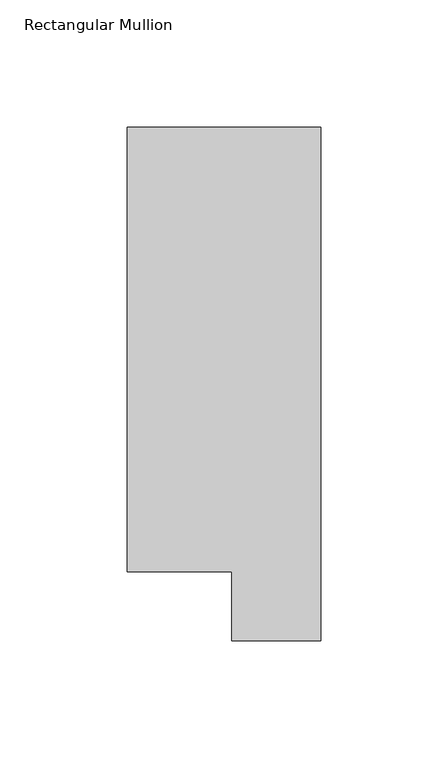
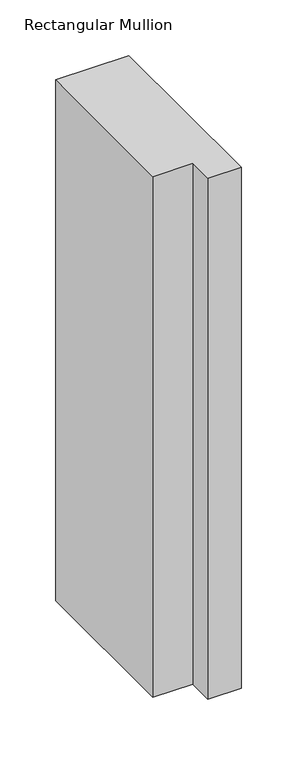
"""IFC4 building model written with IfcOpenShell, lengths in millimetres: member geometry, Rectangular Mullion."""

from ifc_helpers import new_model, si_unit, frame, origin, place, context, project, spatial, polyline, outline, extrude, source, transform, mapped, element, save


def rectangular_mullion_60a6cd7f(model_context):
    return source(origin(), model_context, "Body", "SweptSolid", [
        extrude(outline(polyline([(0.0, 221.7507313), (0.0, 19.5667313), (-34.9123, 19.5667313), (-34.9123, 46.7447302), (-76.2, 46.7447302), (-76.2, 221.7507313), (0.0, 221.7507313)])), frame((0.0, 0.0, -571.8194229), z_axis=(0.0, 0.0, 1.0), x_axis=(1.0, 0.0, 0.0)), (0.0, 0.0, 1.0), 571.8194229),
    ])


if __name__ == "__main__":
    model = new_model("IFC4")
    model_context = context("Model", 3, world=origin())
    ifc_project = project(units=[si_unit("LENGTHUNIT", "METRE", prefix="MILLI")], contexts=[model_context])
    site = spatial("IfcSite", under=ifc_project)
    building = spatial("IfcBuilding", under=site)
    placement = place(None, origin())
    rectangular_mullion_shape = rectangular_mullion_60a6cd7f(model_context)
    element("IfcMember", 1, ObjectType="Rectangular Mullion", at=placement, inside=building, context=model_context, shape_type="MappedRepresentation", body=[
        mapped(rectangular_mullion_shape, transform((0.0, 0.0, 0.0), x_axis=(1.0, 0.0, 0.0), y_axis=(0.0, 1.0, 0.0), z_axis=(0.0, 0.0, 1.0))),
    ])
    save(model, "model.ifc")
